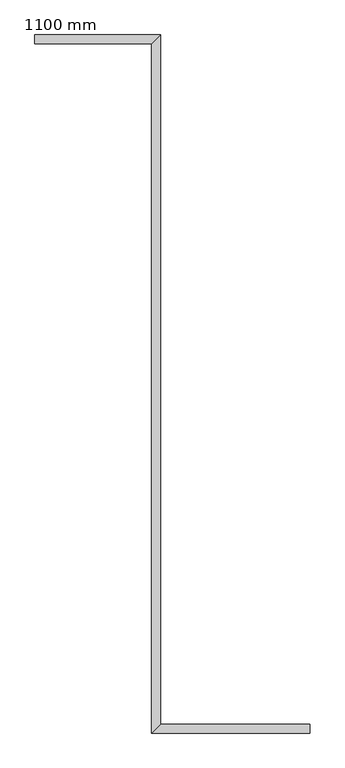
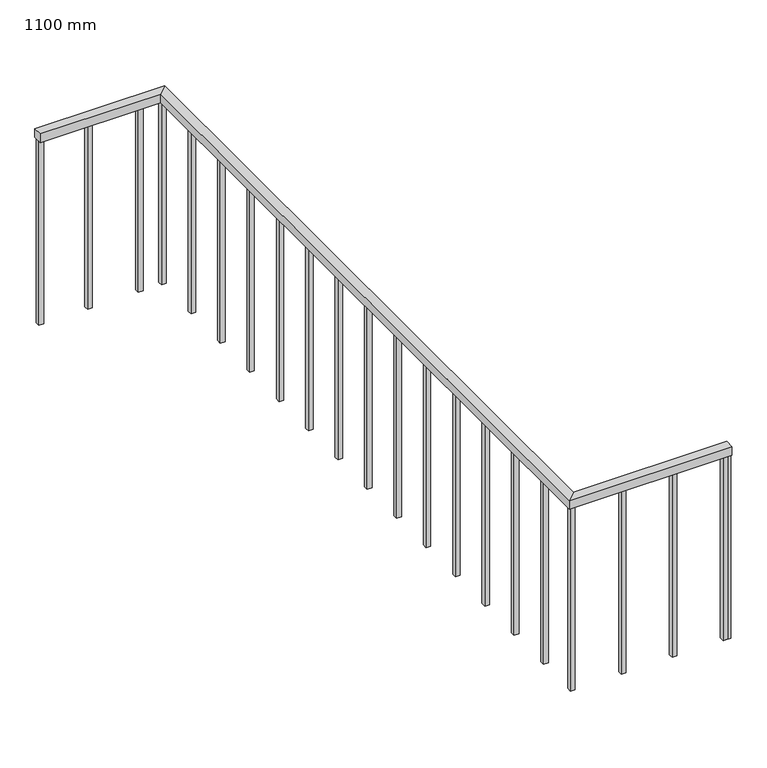
"""IFC4 building model written with IfcOpenShell, lengths in millimetres: railing geometry, 1100 mm."""

from ifc_helpers import new_model, si_unit, frame, origin, place, context, project, spatial, polyline, outline, extrude, faceted_brep, source, transform, mapped, element, save


def railing_1100_mm_053c2c6c(model_context):
    return source(origin(), model_context, "Body", "SolidModel", [
        faceted_brep([(-9595.4724667, 2352.4523768, 9500.0), (-9595.4724667, 2402.4523768, 9500.0), (-9595.4724667, 2402.4523768, 9450.0), (-9595.4724667, 2352.4523768, 9450.0), (-8945.4724667, 2352.4523768, 9500.0), (-8895.4724667, 2402.4523768, 9500.0), (-8895.4724667, 2402.4523768, 9450.0), (-8945.4724667, 2352.4523768, 9450.0), (-8945.4724667, -1473.5476232, 9500.0), (-8895.4724667, -1423.5476232, 9500.0), (-8895.4724667, -1423.5476232, 9450.0), (-8945.4724667, -1473.5476232, 9450.0), (-8067.4724667, -1473.5476232, 9500.0), (-8067.4724667, -1473.5476232, 9450.0), (-8067.4724667, -1423.5476232, 9450.0), (-8067.4724667, -1423.5476232, 9500.0)], [[[0, 1, 2, 3]], [[1, 0, 4, 5]], [[2, 1, 5, 6]], [[3, 2, 6, 7]], [[0, 3, 7, 4]], [[5, 4, 8, 9]], [[6, 5, 9, 10]], [[7, 6, 10, 11]], [[4, 7, 11, 8]], [[12, 13, 14, 15]], [[9, 8, 12, 15]], [[10, 9, 15, 14]], [[11, 10, 14, 13]], [[8, 11, 13, 12]]]),
        extrude(outline(polyline([(-8107.9724667, -1461.0476232), (-8107.9724667, -1436.0476232), (-8082.9724667, -1436.0476232), (-8082.9724667, -1461.0476232), (-8107.9724667, -1461.0476232)])), frame((0.0, 0.0, 8400.0), z_axis=(0.0, 0.0, 1.0), x_axis=(1.0, 0.0, 0.0)), (0.0, 0.0, 1.0), 1050.0),
        extrude(outline(polyline([(-8382.9724667, -1461.0476232), (-8382.9724667, -1436.0476232), (-8357.9724667, -1436.0476232), (-8357.9724667, -1461.0476232), (-8382.9724667, -1461.0476232)])), frame((0.0, 0.0, 8400.0), z_axis=(0.0, 0.0, 1.0), x_axis=(1.0, 0.0, 0.0)), (0.0, 0.0, 1.0), 1050.0),
        extrude(outline(polyline([(-8657.9724667, -1461.0476232), (-8657.9724667, -1436.0476232), (-8632.9724667, -1436.0476232), (-8632.9724667, -1461.0476232), (-8657.9724667, -1461.0476232)])), frame((0.0, 0.0, 8400.0), z_axis=(0.0, 0.0, 1.0), x_axis=(1.0, 0.0, 0.0)), (0.0, 0.0, 1.0), 1050.0),
        extrude(outline(polyline([(-8932.9724667, -1185.0476232), (-8907.9724667, -1185.0476232), (-8907.9724667, -1210.0476232), (-8932.9724667, -1210.0476232), (-8932.9724667, -1185.0476232)])), frame((0.0, 0.0, 8400.0), z_axis=(0.0, 0.0, 1.0), x_axis=(1.0, 0.0, 0.0)), (0.0, 0.0, 1.0), 1050.0),
        extrude(outline(polyline([(-8932.9724667, -910.0476232), (-8907.9724667, -910.0476232), (-8907.9724667, -935.0476232), (-8932.9724667, -935.0476232), (-8932.9724667, -910.0476232)])), frame((0.0, 0.0, 8400.0), z_axis=(0.0, 0.0, 1.0), x_axis=(1.0, 0.0, 0.0)), (0.0, 0.0, 1.0), 1050.0),
        extrude(outline(polyline([(-8932.9724667, -635.0476232), (-8907.9724667, -635.0476232), (-8907.9724667, -660.0476232), (-8932.9724667, -660.0476232), (-8932.9724667, -635.0476232)])), frame((0.0, 0.0, 8400.0), z_axis=(0.0, 0.0, 1.0), x_axis=(1.0, 0.0, 0.0)), (0.0, 0.0, 1.0), 1050.0),
        extrude(outline(polyline([(-8932.9724667, -360.0476232), (-8907.9724667, -360.0476232), (-8907.9724667, -385.0476232), (-8932.9724667, -385.0476232), (-8932.9724667, -360.0476232)])), frame((0.0, 0.0, 8400.0), z_axis=(0.0, 0.0, 1.0), x_axis=(1.0, 0.0, 0.0)), (0.0, 0.0, 1.0), 1050.0),
        extrude(outline(polyline([(-8932.9724667, -85.0476232), (-8907.9724667, -85.0476232), (-8907.9724667, -110.0476232), (-8932.9724667, -110.0476232), (-8932.9724667, -85.0476232)])), frame((0.0, 0.0, 8400.0), z_axis=(0.0, 0.0, 1.0), x_axis=(1.0, 0.0, 0.0)), (0.0, 0.0, 1.0), 1050.0),
        extrude(outline(polyline([(-8932.9724667, 189.9523768), (-8907.9724667, 189.9523768), (-8907.9724667, 164.9523768), (-8932.9724667, 164.9523768), (-8932.9724667, 189.9523768)])), frame((0.0, 0.0, 8400.0), z_axis=(0.0, 0.0, 1.0), x_axis=(1.0, 0.0, 0.0)), (0.0, 0.0, 1.0), 1050.0),
        extrude(outline(polyline([(-8932.9724667, 464.9523768), (-8907.9724667, 464.9523768), (-8907.9724667, 439.9523768), (-8932.9724667, 439.9523768), (-8932.9724667, 464.9523768)])), frame((0.0, 0.0, 8400.0), z_axis=(0.0, 0.0, 1.0), x_axis=(1.0, 0.0, 0.0)), (0.0, 0.0, 1.0), 1050.0),
        extrude(outline(polyline([(-8932.9724667, 739.9523768), (-8907.9724667, 739.9523768), (-8907.9724667, 714.9523768), (-8932.9724667, 714.9523768), (-8932.9724667, 739.9523768)])), frame((0.0, 0.0, 8400.0), z_axis=(0.0, 0.0, 1.0), x_axis=(1.0, 0.0, 0.0)), (0.0, 0.0, 1.0), 1050.0),
        extrude(outline(polyline([(-8932.9724667, 1014.9523768), (-8907.9724667, 1014.9523768), (-8907.9724667, 989.9523768), (-8932.9724667, 989.9523768), (-8932.9724667, 1014.9523768)])), frame((0.0, 0.0, 8400.0), z_axis=(0.0, 0.0, 1.0), x_axis=(1.0, 0.0, 0.0)), (0.0, 0.0, 1.0), 1050.0),
        extrude(outline(polyline([(-8932.9724667, 1289.9523768), (-8907.9724667, 1289.9523768), (-8907.9724667, 1264.9523768), (-8932.9724667, 1264.9523768), (-8932.9724667, 1289.9523768)])), frame((0.0, 0.0, 8400.0), z_axis=(0.0, 0.0, 1.0), x_axis=(1.0, 0.0, 0.0)), (0.0, 0.0, 1.0), 1050.0),
        extrude(outline(polyline([(-8932.9724667, 1564.9523768), (-8907.9724667, 1564.9523768), (-8907.9724667, 1539.9523768), (-8932.9724667, 1539.9523768), (-8932.9724667, 1564.9523768)])), frame((0.0, 0.0, 8400.0), z_axis=(0.0, 0.0, 1.0), x_axis=(1.0, 0.0, 0.0)), (0.0, 0.0, 1.0), 1050.0),
        extrude(outline(polyline([(-8932.9724667, 1839.9523768), (-8907.9724667, 1839.9523768), (-8907.9724667, 1814.9523768), (-8932.9724667, 1814.9523768), (-8932.9724667, 1839.9523768)])), frame((0.0, 0.0, 8400.0), z_axis=(0.0, 0.0, 1.0), x_axis=(1.0, 0.0, 0.0)), (0.0, 0.0, 1.0), 1050.0),
        extrude(outline(polyline([(-8932.9724667, 2114.9523768), (-8907.9724667, 2114.9523768), (-8907.9724667, 2089.9523768), (-8932.9724667, 2089.9523768), (-8932.9724667, 2114.9523768)])), frame((0.0, 0.0, 8400.0), z_axis=(0.0, 0.0, 1.0), x_axis=(1.0, 0.0, 0.0)), (0.0, 0.0, 1.0), 1050.0),
        extrude(outline(polyline([(-9057.9724667, 2364.9523768), (-9057.9724667, 2389.9523768), (-9032.9724667, 2389.9523768), (-9032.9724667, 2364.9523768), (-9057.9724667, 2364.9523768)])), frame((0.0, 0.0, 8400.0), z_axis=(0.0, 0.0, 1.0), x_axis=(1.0, 0.0, 0.0)), (0.0, 0.0, 1.0), 1050.0),
        extrude(outline(polyline([(-9332.9724667, 2364.9523768), (-9332.9724667, 2389.9523768), (-9307.9724667, 2389.9523768), (-9307.9724667, 2364.9523768), (-9332.9724667, 2364.9523768)])), frame((0.0, 0.0, 8400.0), z_axis=(0.0, 0.0, 1.0), x_axis=(1.0, 0.0, 0.0)), (0.0, 0.0, 1.0), 1050.0),
        extrude(outline(polyline([(-8932.9724667, -1436.0476232), (-8907.9724667, -1436.0476232), (-8907.9724667, -1461.0476232), (-8932.9724667, -1461.0476232), (-8932.9724667, -1436.0476232)])), frame((0.0, 0.0, 8400.0), z_axis=(0.0, 0.0, 1.0), x_axis=(1.0, 0.0, 0.0)), (0.0, 0.0, 1.0), 1050.0),
        extrude(outline(polyline([(-8932.9724667, 2364.9523768), (-8932.9724667, 2389.9523768), (-8907.9724667, 2389.9523768), (-8907.9724667, 2364.9523768), (-8932.9724667, 2364.9523768)])), frame((0.0, 0.0, 8400.0), z_axis=(0.0, 0.0, 1.0), x_axis=(1.0, 0.0, 0.0)), (0.0, 0.0, 1.0), 1050.0),
        extrude(outline(polyline([(-8092.4724667, -1461.0476232), (-8092.4724667, -1436.0476232), (-8067.4724667, -1436.0476232), (-8067.4724667, -1461.0476232), (-8092.4724667, -1461.0476232)])), frame((0.0, 0.0, 8400.0), z_axis=(0.0, 0.0, 1.0), x_axis=(1.0, 0.0, 0.0)), (0.0, 0.0, 1.0), 1050.0),
        extrude(outline(polyline([(-9595.4724667, 2364.9523768), (-9595.4724667, 2389.9523768), (-9570.4724667, 2389.9523768), (-9570.4724667, 2364.9523768), (-9595.4724667, 2364.9523768)])), frame((0.0, 0.0, 8400.0), z_axis=(0.0, 0.0, 1.0), x_axis=(1.0, 0.0, 0.0)), (0.0, 0.0, 1.0), 1050.0),
    ])


if __name__ == "__main__":
    model = new_model("IFC4")
    model_context = context("Model", 3, world=origin())
    ifc_project = project(units=[si_unit("LENGTHUNIT", "METRE", prefix="MILLI")], contexts=[model_context])
    site = spatial("IfcSite", under=ifc_project)
    building = spatial("IfcBuilding", under=site)
    placement = place(None, origin())
    railing_1100_mm_shape = railing_1100_mm_053c2c6c(model_context)
    element("IfcRailing", 1, ObjectType="1100 mm", at=placement, inside=building, context=model_context, shape_type="MappedRepresentation", body=[
        mapped(railing_1100_mm_shape, transform((0.0, 0.0, 0.0), x_axis=(1.0, 0.0, 0.0), y_axis=(0.0, 1.0, 0.0), z_axis=(0.0, 0.0, 1.0))),
    ])
    save(model, "model.ifc")
